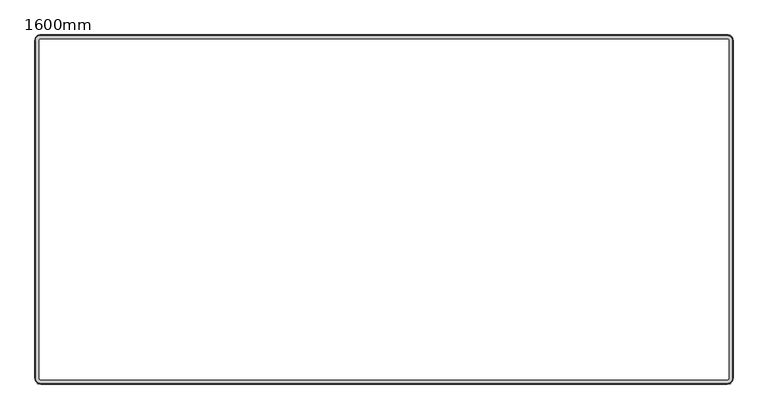
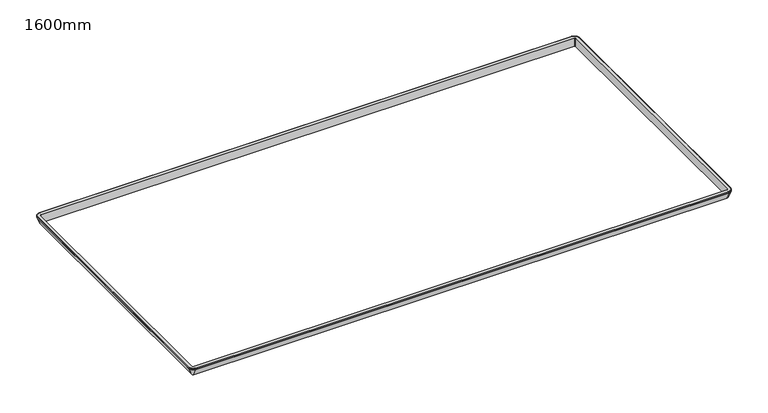
"""IFC4 building model written with IfcOpenShell, lengths in millimetres: furniture geometry, 1600mm."""

from ifc_helpers import new_model, si_unit, point, frame, origin, place, context, project, spatial, polyline, circle_curve, ellipse_curve, trimmed, source, transform, mapped, element, save
from ifc_brep_helpers import plane_surface, cylinder_surface, revolved_surface, advanced_brep


def furniture_1600mm_04f85927(model_context):
    return source(origin(), model_context, "Body", "AdvancedBrep", [
        advanced_brep(
        [(-787.1, -390.05, 975.0), (-787.1, -390.05, 1000.0), (787.1, -390.05, 1000.0), (787.1, -390.05, 975.0), (-787.1, -399.7505175, 994.6740876), (-787.1, -391.2166667, 975.0), (787.1, -391.2166667, 975.0), (787.1, -399.7505175, 994.6740876), (-787.1, -400.05, 999.5), (-787.1, -400.05, 996.3785334), (787.1, -400.05, 996.3785334), (787.1, -400.05, 999.5), (-787.1, -399.55, 1000.0), (787.1, -399.55, 1000.0), (790.1, -387.05, 975.0), (790.1, -387.05, 1000.0), (790.1, 387.05, 1000.0), (790.1, 387.05, 975.0), (799.8005175, -387.05, 994.6740876), (791.2666667, -387.05, 975.0), (791.2666667, 387.05, 975.0), (799.8005175, 387.05, 994.6740876), (800.1, -387.05, 999.5), (800.1, -387.05, 996.3785334), (800.1, 387.05, 996.3785334), (800.1, 387.05, 999.5), (799.6, -387.05, 1000.0), (799.6, 387.05, 1000.0), (787.1, 390.05, 975.0), (787.1, 390.05, 1000.0), (-787.1, 390.05, 1000.0), (-787.1, 390.05, 975.0), (787.1, 399.7505175, 994.6740876), (787.1, 391.2166667, 975.0), (-787.1, 391.2166667, 975.0), (-787.1, 399.7505175, 994.6740876), (787.1, 400.05, 999.5), (787.1, 400.05, 996.3785334), (-787.1, 400.05, 996.3785334), (-787.1, 400.05, 999.5), (787.1, 399.55, 1000.0), (-787.1, 399.55, 1000.0), (-790.1, 387.05, 975.0), (-790.1, 387.05, 1000.0), (-790.1, -387.05, 1000.0), (-790.1, -387.05, 975.0), (-799.8005175, 387.05, 994.6740876), (-791.2666667, 387.05, 975.0), (-791.2666667, -387.05, 975.0), (-799.8005175, -387.05, 994.6740876), (-800.1, 387.05, 999.5), (-800.1, 387.05, 996.3785334), (-800.1, -387.05, 996.3785334), (-800.1, -387.05, 999.5), (-799.6, 387.05, 1000.0), (-799.6, -387.05, 1000.0)],
        [
            (0, 1),
            (1, 2),
            (2, 3),
            (3, 0),
            (4, 5),
            (5, 6),
            (6, 7),
            (7, 4),
            (8, 9),
            (9, 10),
            (10, 11),
            (11, 8),
            (12, 8, circle_curve(frame((-787.1, -399.55, 999.5), z_axis=(1.0, 0.0, 0.0), x_axis=(0.0, 1.0, 0.0)), 0.5)),
            (11, 13, circle_curve(frame((787.1, -399.55, 999.5), z_axis=(-1.0, 0.0, 0.0), x_axis=(0.0, 1.0, 0.0)), 0.5)),
            (13, 12),
            (14, 15),
            (15, 16),
            (16, 17),
            (17, 14),
            (18, 19),
            (19, 20),
            (20, 21),
            (21, 18),
            (22, 23),
            (23, 24),
            (24, 25),
            (25, 22),
            (26, 22, circle_curve(frame((799.6, -387.05, 999.5), z_axis=(0.0, 1.0, 0.0), x_axis=(-1.0, 0.0, 0.0)), 0.5)),
            (25, 27, circle_curve(frame((799.6, 387.05, 999.5), z_axis=(0.0, -1.0, 0.0), x_axis=(-1.0, 0.0, 0.0)), 0.5)),
            (27, 26),
            (28, 29),
            (29, 30),
            (30, 31),
            (31, 28),
            (32, 33),
            (33, 34),
            (34, 35),
            (35, 32),
            (36, 37),
            (37, 38),
            (38, 39),
            (39, 36),
            (40, 36, circle_curve(frame((787.1, 399.55, 999.5), z_axis=(-1.0, 0.0, 0.0), x_axis=(0.0, -1.0, 0.0)), 0.5)),
            (39, 41, circle_curve(frame((-787.1, 399.55, 999.5), z_axis=(1.0, 0.0, 0.0), x_axis=(0.0, -1.0, 0.0)), 0.5)),
            (41, 40),
            (42, 43),
            (43, 44),
            (44, 45),
            (45, 42),
            (46, 47),
            (47, 48),
            (48, 49),
            (49, 46),
            (50, 51),
            (51, 52),
            (52, 53),
            (53, 50),
            (54, 50, circle_curve(frame((-799.6, 387.05, 999.5), z_axis=(0.0, -1.0, 0.0), x_axis=(1.0, 0.0, 0.0)), 0.5)),
            (53, 55, circle_curve(frame((-799.6, -387.05, 999.5), z_axis=(0.0, 1.0, 0.0), x_axis=(1.0, 0.0, 0.0)), 0.5)),
            (55, 54),
            (9, 4, circle_curve(frame((-787.1, -395.05, 996.3785334), z_axis=(1.0, 0.0, 0.0), x_axis=(0.0, 1.0, 0.0)), 5.0)),
            (7, 10, circle_curve(frame((787.1, -395.05, 996.3785334), z_axis=(-1.0, 0.0, 0.0), x_axis=(0.0, 1.0, 0.0)), 5.0)),
            (23, 18, circle_curve(frame((795.1, -387.05, 996.3785334), z_axis=(0.0, 1.0, 0.0), x_axis=(-1.0, 0.0, 0.0)), 5.0)),
            (21, 24, circle_curve(frame((795.1, 387.05, 996.3785334), z_axis=(0.0, -1.0, 0.0), x_axis=(-1.0, 0.0, 0.0)), 5.0)),
            (37, 32, circle_curve(frame((787.1, 395.05, 996.3785334), z_axis=(-1.0, 0.0, 0.0), x_axis=(0.0, -1.0, 0.0)), 5.0)),
            (35, 38, circle_curve(frame((-787.1, 395.05, 996.3785334), z_axis=(1.0, 0.0, 0.0), x_axis=(0.0, -1.0, 0.0)), 5.0)),
            (51, 46, circle_curve(frame((-795.1, 387.05, 996.3785334), z_axis=(0.0, -1.0, 0.0), x_axis=(1.0, 0.0, 0.0)), 5.0)),
            (49, 52, circle_curve(frame((-795.1, -387.05, 996.3785334), z_axis=(0.0, 1.0, 0.0), x_axis=(1.0, 0.0, 0.0)), 5.0)),
            (0, 45, circle_curve(frame((-787.1, -387.05, 975.0), z_axis=(0.0, 0.0, -1.0), x_axis=(-1.0, 0.0, 0.0)), 3.0)),
            (44, 1, circle_curve(frame((-787.1, -387.05, 1000.0), z_axis=(0.0, 0.0, 1.0), x_axis=(-1.0, 0.0, 0.0)), 3.0)),
            (4, 49, circle_curve(frame((-787.1, -387.05, 994.6740876), z_axis=(0.0, 0.0, -1.0), x_axis=(-1.0, 0.0, 0.0)), 12.7005175)),
            (48, 5, circle_curve(frame((-787.1, -387.05, 975.0), z_axis=(0.0, 0.0, 1.0), x_axis=(-1.0, 0.0, 0.0)), 4.1666667)),
            (9, 52, circle_curve(frame((-787.1, -387.05, 996.3785334), z_axis=(0.0, 0.0, -1.0), x_axis=(-1.0, 0.0, 0.0)), 13.0)),
            (8, 53, circle_curve(frame((-787.1, -387.05, 999.5), z_axis=(0.0, 0.0, -1.0), x_axis=(-1.0, 0.0, 0.0)), 13.0)),
            (12, 55, circle_curve(frame((-787.1, -387.05, 1000.0), z_axis=(0.0, 0.0, -1.0), x_axis=(-1.0, 0.0, 0.0)), 12.5)),
            (14, 3, circle_curve(frame((787.1, -387.05, 975.0), z_axis=(0.0, 0.0, -1.0), x_axis=(0.0, -1.0, 0.0)), 3.0)),
            (2, 15, circle_curve(frame((787.1, -387.05, 1000.0), z_axis=(0.0, 0.0, 1.0), x_axis=(0.0, -1.0, 0.0)), 3.0)),
            (18, 7, circle_curve(frame((787.1, -387.05, 994.6740876), z_axis=(0.0, 0.0, -1.0), x_axis=(0.0, -1.0, 0.0)), 12.7005175)),
            (6, 19, circle_curve(frame((787.1, -387.05, 975.0), z_axis=(0.0, 0.0, 1.0), x_axis=(0.0, -1.0, 0.0)), 4.1666667)),
            (23, 10, circle_curve(frame((787.1, -387.05, 996.3785334), z_axis=(0.0, 0.0, -1.0), x_axis=(0.0, -1.0, 0.0)), 13.0)),
            (22, 11, circle_curve(frame((787.1, -387.05, 999.5), z_axis=(0.0, 0.0, -1.0), x_axis=(0.0, -1.0, 0.0)), 13.0)),
            (26, 13, circle_curve(frame((787.1, -387.05, 1000.0), z_axis=(0.0, 0.0, -1.0), x_axis=(0.0, -1.0, 0.0)), 12.5)),
            (28, 17, circle_curve(frame((787.1, 387.05, 975.0), z_axis=(0.0, 0.0, -1.0), x_axis=(1.0, 0.0, 0.0)), 3.0)),
            (16, 29, circle_curve(frame((787.1, 387.05, 1000.0), z_axis=(0.0, 0.0, 1.0), x_axis=(1.0, 0.0, 0.0)), 3.0)),
            (32, 21, circle_curve(frame((787.1, 387.05, 994.6740876), z_axis=(0.0, 0.0, -1.0), x_axis=(1.0, 0.0, 0.0)), 12.7005175)),
            (20, 33, circle_curve(frame((787.1, 387.05, 975.0), z_axis=(0.0, 0.0, 1.0), x_axis=(1.0, 0.0, 0.0)), 4.1666667)),
            (37, 24, circle_curve(frame((787.1, 387.05, 996.3785334), z_axis=(0.0, 0.0, -1.0), x_axis=(1.0, 0.0, 0.0)), 13.0)),
            (36, 25, circle_curve(frame((787.1, 387.05, 999.5), z_axis=(0.0, 0.0, -1.0), x_axis=(1.0, 0.0, 0.0)), 13.0)),
            (40, 27, circle_curve(frame((787.1, 387.05, 1000.0), z_axis=(0.0, 0.0, -1.0), x_axis=(1.0, 0.0, 0.0)), 12.5)),
            (41, 54, circle_curve(frame((-787.1, 387.05, 1000.0), z_axis=(0.0, 0.0, 1.0), x_axis=(0.0, 1.0, 0.0)), 12.5)),
            (43, 30, circle_curve(frame((-787.1, 387.05, 1000.0), z_axis=(0.0, 0.0, -1.0), x_axis=(0.0, 1.0, 0.0)), 3.0)),
            (42, 31, circle_curve(frame((-787.1, 387.05, 975.0), z_axis=(0.0, 0.0, -1.0), x_axis=(0.0, 1.0, 0.0)), 3.0)),
            (47, 34, circle_curve(frame((-787.1, 387.05, 975.0), z_axis=(0.0, 0.0, -1.0), x_axis=(0.0, 1.0, 0.0)), 4.1666667)),
            (46, 35, circle_curve(frame((-787.1, 387.05, 994.6740876), z_axis=(0.0, 0.0, -1.0), x_axis=(0.0, 1.0, 0.0)), 12.7005175)),
            (51, 38, circle_curve(frame((-787.1, 387.05, 996.3785334), z_axis=(0.0, 0.0, -1.0), x_axis=(0.0, 1.0, 0.0)), 13.0)),
            (50, 39, circle_curve(frame((-787.1, 387.05, 999.5), z_axis=(0.0, 0.0, -1.0), x_axis=(0.0, 1.0, 0.0)), 13.0)),
        ],
        [
            plane_surface(frame((-787.1, -390.05, 1000.0), z_axis=(0.0, 1.0, 0.0), x_axis=(1.0, 0.0, 0.0))),
            plane_surface(frame((-787.1, -391.2166667, 975.0), z_axis=(0.0, -0.9174124462943551, -0.3979376878158276), x_axis=(1.0, 0.0, 0.0))),
            plane_surface(frame((-787.1, -400.05, 996.3785334), z_axis=(0.0, -1.0, 0.0), x_axis=(1.0, 0.0, 0.0))),
            cylinder_surface(frame((-787.1, -399.55, 999.5), z_axis=(-1.0, 0.0, 0.0), x_axis=(0.0, 1.0, 0.0)), 0.5),
            plane_surface(frame((790.1, -387.05, 1000.0), z_axis=(-1.0, 0.0, 0.0), x_axis=(0.0, 1.0, 0.0))),
            plane_surface(frame((791.2666667, -387.05, 975.0), z_axis=(0.9174124462943538, 0.0, -0.39793768781583055), x_axis=(0.0, 1.0, 0.0))),
            plane_surface(frame((800.1, -387.05, 996.3785334), z_axis=(1.0, 0.0, 0.0), x_axis=(0.0, 1.0, 0.0))),
            cylinder_surface(frame((799.6, -387.05, 999.5), z_axis=(0.0, -1.0, 0.0), x_axis=(-1.0, 0.0, 0.0)), 0.5),
            plane_surface(frame((787.1, 390.05, 1000.0), z_axis=(0.0, -1.0, 0.0), x_axis=(-1.0, 0.0, 0.0))),
            plane_surface(frame((787.1, 391.2166667, 975.0), z_axis=(0.0, 0.9174124462943551, -0.3979376878158276), x_axis=(-1.0, 0.0, 0.0))),
            plane_surface(frame((787.1, 400.05, 996.3785334), z_axis=(0.0, 1.0, 0.0), x_axis=(-1.0, 0.0, 0.0))),
            cylinder_surface(frame((787.1, 399.55, 999.5), z_axis=(1.0, 0.0, 0.0), x_axis=(0.0, -1.0, 0.0)), 0.5),
            plane_surface(frame((-790.1, 387.05, 1000.0), z_axis=(1.0, 0.0, 0.0), x_axis=(0.0, -1.0, 0.0))),
            plane_surface(frame((-791.2666667, 387.05, 975.0), z_axis=(-0.9174124462943565, 0.0, -0.39793768781582467), x_axis=(0.0, -1.0, 0.0))),
            plane_surface(frame((-800.1, 387.05, 996.3785334), z_axis=(-1.0, 0.0, 0.0), x_axis=(0.0, -1.0, 0.0))),
            cylinder_surface(frame((-799.6, 387.05, 999.5), z_axis=(0.0, 1.0, 0.0), x_axis=(1.0, 0.0, 0.0)), 0.5),
            cylinder_surface(frame((-787.1, -395.05, 996.3785334), z_axis=(-1.0, 0.0, 0.0), x_axis=(0.0, 1.0, 0.0)), 5.0),
            cylinder_surface(frame((795.1, -387.05, 996.3785334), z_axis=(0.0, -1.0, 0.0), x_axis=(-1.0, 0.0, 0.0)), 5.0),
            cylinder_surface(frame((787.1, 395.05, 996.3785334), z_axis=(1.0, 0.0, 0.0), x_axis=(0.0, -1.0, 0.0)), 5.0),
            cylinder_surface(frame((-795.1, 387.05, 996.3785334), z_axis=(0.0, 1.0, 0.0), x_axis=(1.0, 0.0, 0.0)), 5.0),
            revolved_surface(polyline([(-790.1, -387.05, 1000.0), (-790.1, -387.05, 975.0)]), (-787.1, -387.05, 975.0), (0.0, 0.0, 1.0)),
            revolved_surface(polyline([(-791.2666667, -387.05, 975.0), (-799.8005175, -387.05, 994.6740876)]), (-787.1, -387.05, 975.0), (0.0, 0.0, 1.0)),
            revolved_surface(trimmed(ellipse_curve(frame((-795.1, -387.05, 996.3785334), z_axis=(0.0, 1.0, 0.0), x_axis=(1.0, 0.0, 0.0)), 5.0, 5.0), [point((-799.8005175, -387.05, 994.6740876))], [point((-800.1, -387.05, 996.3785334))], True, "CARTESIAN"), (-787.1, -387.05, 975.0), (0.0, 0.0, 1.0)),
            cylinder_surface(frame((-787.1, -387.05, 975.0), z_axis=(0.0, 0.0, 1.0), x_axis=(-1.0, 0.0, 0.0)), 13.0),
            revolved_surface(trimmed(ellipse_curve(frame((-799.6, -387.05, 999.5), z_axis=(0.0, 1.0, 0.0), x_axis=(1.0, 0.0, 0.0)), 0.5, 0.5), [point((-800.1, -387.05, 999.5))], [point((-799.6, -387.05, 1000.0))], True, "CARTESIAN"), (-787.1, -387.05, 975.0), (0.0, 0.0, 1.0)),
            revolved_surface(polyline([(787.1, -390.05, 1000.0), (787.1, -390.05, 975.0)]), (787.1, -387.05, 975.0), (0.0, 0.0, 1.0)),
            revolved_surface(polyline([(787.1, -391.2166667, 975.0), (787.1, -399.7505175, 994.6740876)]), (787.1, -387.05, 975.0), (0.0, 0.0, 1.0)),
            revolved_surface(trimmed(ellipse_curve(frame((787.1, -395.05, 996.3785334), z_axis=(-1.0, 0.0, 0.0), x_axis=(0.0, 1.0, 0.0)), 5.0, 5.0), [point((787.1, -399.7505175, 994.6740876))], [point((787.1, -400.05, 996.3785334))], True, "CARTESIAN"), (787.1, -387.05, 975.0), (0.0, 0.0, 1.0)),
            cylinder_surface(frame((787.1, -387.05, 975.0), z_axis=(0.0, 0.0, 1.0), x_axis=(0.0, -1.0, 0.0)), 13.0),
            revolved_surface(trimmed(ellipse_curve(frame((787.1, -399.55, 999.5), z_axis=(-1.0, 0.0, 0.0), x_axis=(0.0, 1.0, 0.0)), 0.5, 0.5), [point((787.1, -400.05, 999.5))], [point((787.1, -399.55, 1000.0))], True, "CARTESIAN"), (787.1, -387.05, 975.0), (0.0, 0.0, 1.0)),
            revolved_surface(polyline([(790.1, 387.05, 1000.0), (790.1, 387.05, 975.0)]), (787.1, 387.05, 975.0), (0.0, 0.0, 1.0)),
            revolved_surface(polyline([(791.2666667, 387.05, 975.0), (799.8005175, 387.05, 994.6740876)]), (787.1, 387.05, 975.0), (0.0, 0.0, 1.0)),
            revolved_surface(trimmed(ellipse_curve(frame((795.1, 387.05, 996.3785334), z_axis=(0.0, -1.0, 0.0), x_axis=(-1.0, 0.0, 0.0)), 5.0, 5.0), [point((799.8005175, 387.05, 994.6740876))], [point((800.1, 387.05, 996.3785334))], True, "CARTESIAN"), (787.1, 387.05, 975.0), (0.0, 0.0, 1.0)),
            cylinder_surface(frame((787.1, 387.05, 975.0), z_axis=(0.0, 0.0, 1.0), x_axis=(1.0, 0.0, 0.0)), 13.0),
            revolved_surface(trimmed(ellipse_curve(frame((799.6, 387.05, 999.5), z_axis=(0.0, -1.0, 0.0), x_axis=(-1.0, 0.0, 0.0)), 0.5, 0.5), [point((800.1, 387.05, 999.5))], [point((799.6, 387.05, 1000.0))], True, "CARTESIAN"), (787.1, 387.05, 975.0), (0.0, 0.0, 1.0)),
            plane_surface(frame((-787.1, 387.05, 1000.0), z_axis=(0.0, 0.0, 1.0), x_axis=(0.0, 1.0, 0.0))),
            revolved_surface(polyline([(-787.1, 390.05, 1000.0), (-787.1, 390.05, 975.0)]), (-787.1, 387.05, 975.0), (0.0, 0.0, 1.0)),
            plane_surface(frame((-787.1, 387.05, 975.0), z_axis=(0.0, 0.0, -1.0), x_axis=(0.0, 1.0, 0.0))),
            revolved_surface(polyline([(-787.1, 391.2166667, 975.0), (-787.1, 399.7505175, 994.6740876)]), (-787.1, 387.05, 975.0), (0.0, 0.0, 1.0)),
            revolved_surface(trimmed(ellipse_curve(frame((-787.1, 395.05, 996.3785334), z_axis=(1.0, 0.0, 0.0), x_axis=(0.0, -1.0, 0.0)), 5.0, 5.0), [point((-787.1, 399.7505175, 994.6740876))], [point((-787.1, 400.05, 996.3785334))], True, "CARTESIAN"), (-787.1, 387.05, 975.0), (0.0, 0.0, 1.0)),
            cylinder_surface(frame((-787.1, 387.05, 975.0), z_axis=(0.0, 0.0, 1.0), x_axis=(0.0, 1.0, 0.0)), 13.0),
            revolved_surface(trimmed(ellipse_curve(frame((-787.1, 399.55, 999.5), z_axis=(1.0, 0.0, 0.0), x_axis=(0.0, -1.0, 0.0)), 0.5, 0.5), [point((-787.1, 400.05, 999.5))], [point((-787.1, 399.55, 1000.0))], True, "CARTESIAN"), (-787.1, 387.05, 975.0), (0.0, 0.0, 1.0)),
        ],
        [
            (0, [[1, 2, 3, 4]]),
            (1, [[5, 6, 7, 8]]),
            (2, [[9, 10, 11, 12]]),
            (3, [[13, -12, 14, 15]]),
            (4, [[16, 17, 18, 19]]),
            (5, [[20, 21, 22, 23]]),
            (6, [[24, 25, 26, 27]]),
            (7, [[28, -27, 29, 30]]),
            (8, [[31, 32, 33, 34]]),
            (9, [[35, 36, 37, 38]]),
            (10, [[39, 40, 41, 42]]),
            (11, [[43, -42, 44, 45]]),
            (12, [[46, 47, 48, 49]]),
            (13, [[50, 51, 52, 53]]),
            (14, [[54, 55, 56, 57]]),
            (15, [[58, -57, 59, 60]]),
            (16, [[61, -8, 62, -10]]),
            (17, [[63, -23, 64, -25]]),
            (18, [[65, -38, 66, -40]]),
            (19, [[67, -53, 68, -55]]),
            (20, [[69, -48, 70, -1]]),
            (21, [[71, -52, 72, -5]]),
            (22, [[73, -68, -71, -61]]),
            (23, [[74, -56, -73, -9]]),
            (24, [[75, -59, -74, -13]]),
            (25, [[76, -3, 77, -16]]),
            (26, [[78, -7, 79, -20]]),
            (27, [[80, -62, -78, -63]]),
            (28, [[81, -11, -80, -24]]),
            (29, [[82, -14, -81, -28]]),
            (30, [[83, -18, 84, -31]]),
            (31, [[85, -22, 86, -35]]),
            (32, [[87, -64, -85, -65]]),
            (33, [[88, -26, -87, -39]]),
            (34, [[89, -29, -88, -43]]),
            (35, [[-30, -89, -45, 90, -60, -75, -15, -82], [91, -32, -84, -17, -77, -2, -70, -47]]),
            (36, [[92, -33, -91, -46]]),
            (37, [[93, -36, -86, -21, -79, -6, -72, -51], [-19, -83, -34, -92, -49, -69, -4, -76]]),
            (38, [[94, -37, -93, -50]]),
            (39, [[95, -66, -94, -67]]),
            (40, [[96, -41, -95, -54]]),
            (41, [[-90, -44, -96, -58]]),
        ],
    ),
    ])


if __name__ == "__main__":
    model = new_model("IFC4")
    model_context = context("Model", 3, world=origin())
    ifc_project = project(units=[si_unit("LENGTHUNIT", "METRE", prefix="MILLI")], contexts=[model_context])
    site = spatial("IfcSite", under=ifc_project)
    building = spatial("IfcBuilding", under=site)
    placement = place(None, origin())
    furniture_1600mm_shape = furniture_1600mm_04f85927(model_context)
    element("IfcFurniture", 1, ObjectType="1600mm", at=placement, inside=building, context=model_context, shape_type="MappedRepresentation", body=[
        mapped(furniture_1600mm_shape, transform((0.0, 0.0, 0.0), x_axis=(1.0, 0.0, 0.0), y_axis=(0.0, 1.0, 0.0), z_axis=(0.0, 0.0, 1.0))),
    ])
    save(model, "model.ifc")
